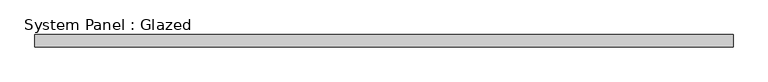
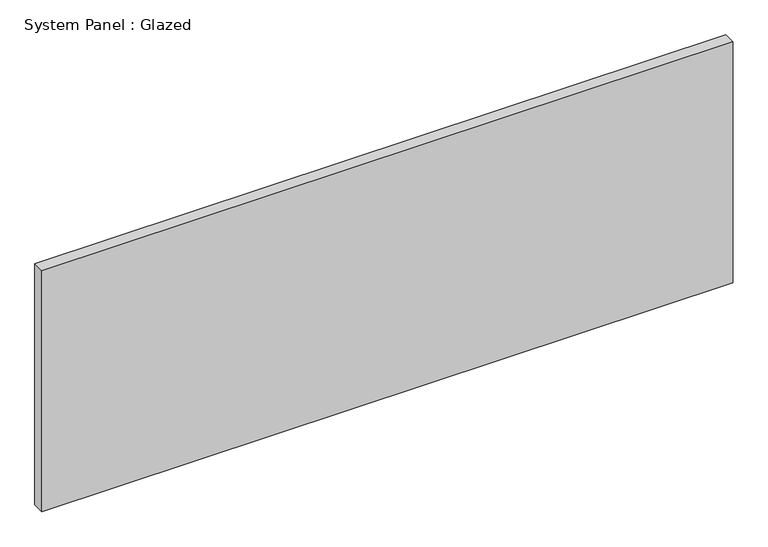
"""IFC4 building model written with IfcOpenShell, lengths in millimetres: plate geometry, System Panel : Glazed."""

from ifc_helpers import new_model, si_unit, origin, origin_with_axes, place, context, project, spatial, polyline, outline, extrude, source, transform, mapped, element, save


def system_panel_glazed_a8bc2e97(model_context):
    return source(origin(), model_context, "Body", "SweptSolid", [
        extrude(outline(polyline([(712.2903142, 24.5), (-712.2903142, 24.5), (-712.2903142, 49.5), (712.2903142, 49.5), (712.2903142, 24.5)])), origin_with_axes(), (0.0, 0.0, 1.0), 525.0),
    ])


if __name__ == "__main__":
    model = new_model("IFC4")
    model_context = context("Model", 3, world=origin())
    ifc_project = project(units=[si_unit("LENGTHUNIT", "METRE", prefix="MILLI")], contexts=[model_context])
    site = spatial("IfcSite", under=ifc_project)
    building = spatial("IfcBuilding", under=site)
    placement = place(None, origin())
    system_panel_glazed_shape = system_panel_glazed_a8bc2e97(model_context)
    element("IfcPlate", 1, ObjectType="System Panel : Glazed", at=placement, inside=building, context=model_context, shape_type="MappedRepresentation", body=[
        mapped(system_panel_glazed_shape, transform((0.0, 0.0, 0.0), x_axis=(1.0, 0.0, 0.0), y_axis=(0.0, 1.0, 0.0), z_axis=(0.0, 0.0, 1.0))),
    ])
    save(model, "model.ifc")
